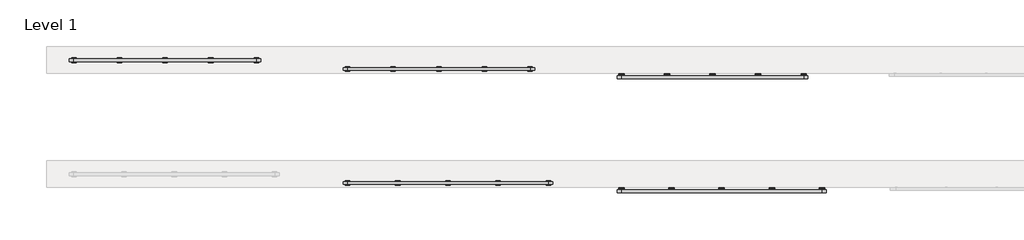
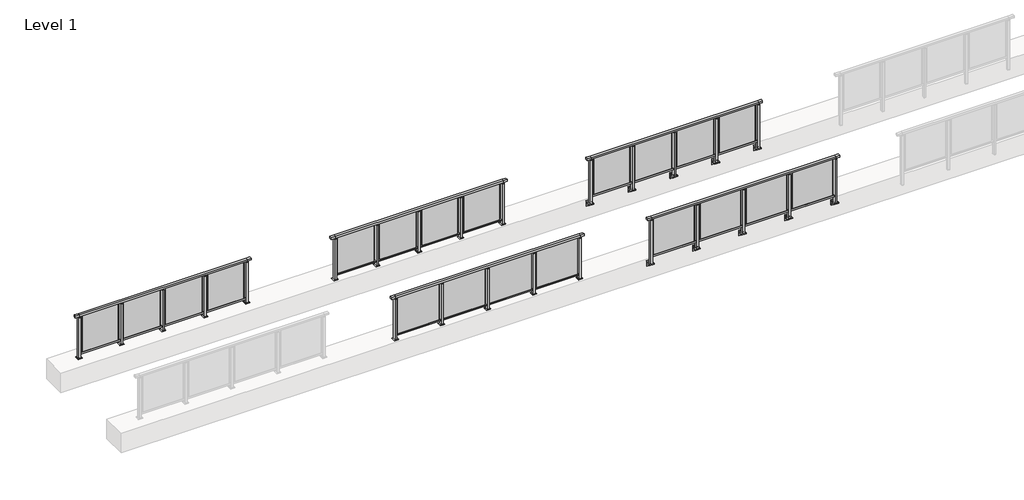
# One storey, part 26 of 37: 5 railings.
"""IFC4 building model written with IfcOpenShell, lengths in millimetres."""

from ifc_helpers import new_model, si_unit, point, frame, frame_2d, origin, origin_with_axes, place, context, project, spatial, polyline, circle_curve, trimmed, segment, composite_curve, outline, extrude, faceted_brep, element, save

model = new_model("IFC4")

# Units and contexts
model_context = context("Model", 3, world=origin())
ifc_project = project(units=[si_unit("LENGTHUNIT", "METRE", prefix="MILLI")], contexts=[model_context])

# Site, building, storey
site = spatial("IfcSite", under=ifc_project)
building = spatial("IfcBuilding", under=site)
storey = spatial("IfcBuildingStorey", under=building, Name="Level 1", Elevation=0.0)

# Railings
placement = place(None, origin())
element("IfcRailing", 1, at=placement, inside=storey, context=model_context, shape_type="SolidModel", body=[
    faceted_brep([(41910.0, 44847.6846828, 1100.0), (41910.0, 44847.6846828, 1055.0), (41910.0, 44787.6846828, 1055.0), (41910.0, 44787.6846828, 1100.0), (42000.0, 44847.6846828, 1100.0), (42000.0, 44847.6846828, 1055.0), (42000.0, 44787.6846828, 1055.0), (42000.0, 44787.6846828, 1100.0), (46400.0, 44847.6846828, 1100.0), (46400.0, 44847.6846828, 1055.0), (46400.0, 44787.6846828, 1055.0), (46400.0, 44787.6846828, 1100.0), (46490.0, 44847.6846828, 1100.0), (46490.0, 44787.6846828, 1100.0), (46490.0, 44787.6846828, 1055.0), (46490.0, 44847.6846828, 1055.0)], [[[0, 1, 2, 3]], [[1, 0, 4, 5]], [[2, 1, 5, 6]], [[3, 2, 6, 7]], [[0, 3, 7, 4]], [[5, 4, 8, 9]], [[6, 5, 9, 10]], [[7, 6, 10, 11]], [[4, 7, 11, 8]], [[12, 13, 14, 15]], [[9, 8, 12, 15]], [[10, 9, 15, 14]], [[11, 10, 14, 13]], [[8, 11, 13, 12]]]),
    extrude(outline(polyline([(42000.0, 44800.1846828), (42000.0, 44835.1846828), (46400.0, 44835.1846828), (46400.0, 44800.1846828), (42000.0, 44800.1846828)])), frame((0.0, 0.0, 95.0), z_axis=(0.0, 0.0, 1.0), x_axis=(1.0, 0.0, 0.0)), (0.0, 0.0, 1.0), 30.0),
    extrude(outline(polyline([(45372.5, 44815.9094929), (45372.5, 44821.9094929), (46327.5, 44821.9094929), (46327.5, 44815.9094929), (45372.5, 44815.9094929)])), frame((0.0, 0.0, 125.0), z_axis=(0.0, 0.0, 1.0), x_axis=(1.0, 0.0, 0.0)), (0.0, 0.0, 1.0), 930.0),
    extrude(outline(composite_curve([segment(polyline([(44850.1846828, -70.0), (44884.1846828, -63.0), (44884.1846828, -32.5), (44900.1846828, -32.5), (44900.1846828, -167.5), (44884.1846828, -167.5), (44884.1846828, -113.5)]), True, "CONTINUOUS"), segment(trimmed(circle_curve(frame_2d((44864.1846828, -113.5)), 20.0), [point((44884.1846828, -113.5))], [point((44864.1846828, -93.5))], True, "CARTESIAN"), True, "CONTINUOUS"), segment(polyline([(44864.1846828, -93.5), (44780.1846828, -93.5), (44780.1846828, -70.0), (44850.1846828, -70.0)]), True, "CONTINUOUS")], self_intersect=False)), frame((45240.0, 0.0, 0.0), z_axis=(1.0, 0.0, 0.0), x_axis=(0.0, 1.0, 0.0)), (0.0, 0.0, 1.0), 120.0),
    extrude(outline(polyline([(45322.5, 44850.1846828), (45322.5, 44785.1846828), (45277.5, 44785.1846828), (45277.5, 44850.1846828), (45322.5, 44850.1846828)])), frame((0.0, 0.0, -70.0), z_axis=(0.0, 0.0, 1.0), x_axis=(1.0, 0.0, 0.0)), (0.0, 0.0, 1.0), 1097.0),
    extrude(outline(polyline([(45310.0, 44827.6846828), (45310.0, 44807.6846828), (45290.0, 44807.6846828), (45290.0, 44827.6846828), (45310.0, 44827.6846828)])), frame((0.0, 0.0, 1035.0), z_axis=(0.0, 0.0, 1.0), x_axis=(1.0, 0.0, 0.0)), (0.0, 0.0, 1.0), 20.0),
    extrude(outline(polyline([(45322.5, 44850.1846828), (45322.5, 44785.1846828), (45277.5, 44785.1846828), (45277.5, 44850.1846828), (45322.5, 44850.1846828)])), frame((0.0, 0.0, 1027.0), z_axis=(0.0, 0.0, 1.0), x_axis=(1.0, 0.0, 0.0)), (0.0, 0.0, 1.0), 8.0),
    extrude(outline(polyline([(44272.5, 44815.9094929), (44272.5, 44821.9094929), (45227.5, 44821.9094929), (45227.5, 44815.9094929), (44272.5, 44815.9094929)])), frame((0.0, 0.0, 125.0), z_axis=(0.0, 0.0, 1.0), x_axis=(1.0, 0.0, 0.0)), (0.0, 0.0, 1.0), 930.0),
    extrude(outline(composite_curve([segment(polyline([(44850.1846828, -70.0), (44884.1846828, -63.0), (44884.1846828, -32.5), (44900.1846828, -32.5), (44900.1846828, -167.5), (44884.1846828, -167.5), (44884.1846828, -113.5)]), True, "CONTINUOUS"), segment(trimmed(circle_curve(frame_2d((44864.1846828, -113.5)), 20.0), [point((44884.1846828, -113.5))], [point((44864.1846828, -93.5))], True, "CARTESIAN"), True, "CONTINUOUS"), segment(polyline([(44864.1846828, -93.5), (44780.1846828, -93.5), (44780.1846828, -70.0), (44850.1846828, -70.0)]), True, "CONTINUOUS")], self_intersect=False)), frame((44140.0, 0.0, 0.0), z_axis=(1.0, 0.0, 0.0), x_axis=(0.0, 1.0, 0.0)), (0.0, 0.0, 1.0), 120.0),
    extrude(outline(polyline([(44222.5, 44850.1846828), (44222.5, 44785.1846828), (44177.5, 44785.1846828), (44177.5, 44850.1846828), (44222.5, 44850.1846828)])), frame((0.0, 0.0, -70.0), z_axis=(0.0, 0.0, 1.0), x_axis=(1.0, 0.0, 0.0)), (0.0, 0.0, 1.0), 1097.0),
    extrude(outline(polyline([(44210.0, 44827.6846828), (44210.0, 44807.6846828), (44190.0, 44807.6846828), (44190.0, 44827.6846828), (44210.0, 44827.6846828)])), frame((0.0, 0.0, 1035.0), z_axis=(0.0, 0.0, 1.0), x_axis=(1.0, 0.0, 0.0)), (0.0, 0.0, 1.0), 20.0),
    extrude(outline(polyline([(44222.5, 44850.1846828), (44222.5, 44785.1846828), (44177.5, 44785.1846828), (44177.5, 44850.1846828), (44222.5, 44850.1846828)])), frame((0.0, 0.0, 1027.0), z_axis=(0.0, 0.0, 1.0), x_axis=(1.0, 0.0, 0.0)), (0.0, 0.0, 1.0), 8.0),
    extrude(outline(polyline([(43172.5, 44815.9094929), (43172.5, 44821.9094929), (44127.5, 44821.9094929), (44127.5, 44815.9094929), (43172.5, 44815.9094929)])), frame((0.0, 0.0, 125.0), z_axis=(0.0, 0.0, 1.0), x_axis=(1.0, 0.0, 0.0)), (0.0, 0.0, 1.0), 930.0),
    extrude(outline(composite_curve([segment(polyline([(44850.1846828, -70.0), (44884.1846828, -63.0), (44884.1846828, -32.5), (44900.1846828, -32.5), (44900.1846828, -167.5), (44884.1846828, -167.5), (44884.1846828, -113.5)]), True, "CONTINUOUS"), segment(trimmed(circle_curve(frame_2d((44864.1846828, -113.5)), 20.0), [point((44884.1846828, -113.5))], [point((44864.1846828, -93.5))], True, "CARTESIAN"), True, "CONTINUOUS"), segment(polyline([(44864.1846828, -93.5), (44780.1846828, -93.5), (44780.1846828, -70.0), (44850.1846828, -70.0)]), True, "CONTINUOUS")], self_intersect=False)), frame((43040.0, 0.0, 0.0), z_axis=(1.0, 0.0, 0.0), x_axis=(0.0, 1.0, 0.0)), (0.0, 0.0, 1.0), 120.0),
    extrude(outline(polyline([(43122.5, 44850.1846828), (43122.5, 44785.1846828), (43077.5, 44785.1846828), (43077.5, 44850.1846828), (43122.5, 44850.1846828)])), frame((0.0, 0.0, -70.0), z_axis=(0.0, 0.0, 1.0), x_axis=(1.0, 0.0, 0.0)), (0.0, 0.0, 1.0), 1097.0),
    extrude(outline(polyline([(43110.0, 44827.6846828), (43110.0, 44807.6846828), (43090.0, 44807.6846828), (43090.0, 44827.6846828), (43110.0, 44827.6846828)])), frame((0.0, 0.0, 1035.0), z_axis=(0.0, 0.0, 1.0), x_axis=(1.0, 0.0, 0.0)), (0.0, 0.0, 1.0), 20.0),
    extrude(outline(polyline([(43122.5, 44850.1846828), (43122.5, 44785.1846828), (43077.5, 44785.1846828), (43077.5, 44850.1846828), (43122.5, 44850.1846828)])), frame((0.0, 0.0, 1027.0), z_axis=(0.0, 0.0, 1.0), x_axis=(1.0, 0.0, 0.0)), (0.0, 0.0, 1.0), 8.0),
    extrude(outline(polyline([(42072.5, 44815.9094929), (42072.5, 44821.9094929), (43027.5, 44821.9094929), (43027.5, 44815.9094929), (42072.5, 44815.9094929)])), frame((0.0, 0.0, 125.0), z_axis=(0.0, 0.0, 1.0), x_axis=(1.0, 0.0, 0.0)), (0.0, 0.0, 1.0), 930.0),
    extrude(outline(composite_curve([segment(polyline([(44850.1846828, -70.0), (44884.1846828, -63.0), (44884.1846828, -32.5), (44900.1846828, -32.5), (44900.1846828, -167.5), (44884.1846828, -167.5), (44884.1846828, -113.5)]), True, "CONTINUOUS"), segment(trimmed(circle_curve(frame_2d((44864.1846828, -113.5)), 20.0), [point((44884.1846828, -113.5))], [point((44864.1846828, -93.5))], True, "CARTESIAN"), True, "CONTINUOUS"), segment(polyline([(44864.1846828, -93.5), (44780.1846828, -93.5), (44780.1846828, -70.0), (44850.1846828, -70.0)]), True, "CONTINUOUS")], self_intersect=False)), frame((46340.0, 0.0, 0.0), z_axis=(1.0, 0.0, 0.0), x_axis=(0.0, 1.0, 0.0)), (0.0, 0.0, 1.0), 120.0),
    extrude(outline(polyline([(46422.5, 44850.1846828), (46422.5, 44785.1846828), (46377.5, 44785.1846828), (46377.5, 44850.1846828), (46422.5, 44850.1846828)])), frame((0.0, 0.0, -70.0), z_axis=(0.0, 0.0, 1.0), x_axis=(1.0, 0.0, 0.0)), (0.0, 0.0, 1.0), 1097.0),
    extrude(outline(polyline([(46410.0, 44827.6846828), (46410.0, 44807.6846828), (46390.0, 44807.6846828), (46390.0, 44827.6846828), (46410.0, 44827.6846828)])), frame((0.0, 0.0, 1035.0), z_axis=(0.0, 0.0, 1.0), x_axis=(1.0, 0.0, 0.0)), (0.0, 0.0, 1.0), 20.0),
    extrude(outline(polyline([(46422.5, 44850.1846828), (46422.5, 44785.1846828), (46377.5, 44785.1846828), (46377.5, 44850.1846828), (46422.5, 44850.1846828)])), frame((0.0, 0.0, 1027.0), z_axis=(0.0, 0.0, 1.0), x_axis=(1.0, 0.0, 0.0)), (0.0, 0.0, 1.0), 8.0),
    extrude(outline(composite_curve([segment(polyline([(44850.1846828, -70.0), (44884.1846828, -63.0), (44884.1846828, -32.5), (44900.1846828, -32.5), (44900.1846828, -167.5), (44884.1846828, -167.5), (44884.1846828, -113.5)]), True, "CONTINUOUS"), segment(trimmed(circle_curve(frame_2d((44864.1846828, -113.5)), 20.0), [point((44884.1846828, -113.5))], [point((44864.1846828, -93.5))], True, "CARTESIAN"), True, "CONTINUOUS"), segment(polyline([(44864.1846828, -93.5), (44780.1846828, -93.5), (44780.1846828, -70.0), (44850.1846828, -70.0)]), True, "CONTINUOUS")], self_intersect=False)), frame((41940.0, 0.0, 0.0), z_axis=(1.0, 0.0, 0.0), x_axis=(0.0, 1.0, 0.0)), (0.0, 0.0, 1.0), 120.0),
    extrude(outline(polyline([(42022.5, 44850.1846828), (42022.5, 44785.1846828), (41977.5, 44785.1846828), (41977.5, 44850.1846828), (42022.5, 44850.1846828)])), frame((0.0, 0.0, -70.0), z_axis=(0.0, 0.0, 1.0), x_axis=(1.0, 0.0, 0.0)), (0.0, 0.0, 1.0), 1097.0),
    extrude(outline(polyline([(42010.0, 44827.6846828), (42010.0, 44807.6846828), (41990.0, 44807.6846828), (41990.0, 44827.6846828), (42010.0, 44827.6846828)])), frame((0.0, 0.0, 1035.0), z_axis=(0.0, 0.0, 1.0), x_axis=(1.0, 0.0, 0.0)), (0.0, 0.0, 1.0), 20.0),
    extrude(outline(polyline([(42022.5, 44850.1846828), (42022.5, 44785.1846828), (41977.5, 44785.1846828), (41977.5, 44850.1846828), (42022.5, 44850.1846828)])), frame((0.0, 0.0, 1027.0), z_axis=(0.0, 0.0, 1.0), x_axis=(1.0, 0.0, 0.0)), (0.0, 0.0, 1.0), 8.0),
])
element("IfcRailing", 2, at=placement, inside=storey, context=model_context, shape_type="SolidModel", body=[
    faceted_brep([(36000.0, 45030.1846828, 1055.0), (36000.0, 45030.1846828, 1100.0), (40400.0, 45030.1846828, 1100.0), (40400.0, 45030.1846828, 1055.0), (36000.0, 44970.1846828, 1055.0), (40400.0, 44970.1846828, 1055.0), (36000.0, 44970.1846828, 1100.0), (40400.0, 44970.1846828, 1100.0), (35900.0, 45030.1846828, 1100.0), (35900.0, 45030.1846828, 1055.0), (35900.0, 44970.1846828, 1055.0), (35900.0, 44970.1846828, 1100.0), (40500.0, 45030.1846828, 1100.0), (40500.0, 44970.1846828, 1100.0), (40500.0, 44970.1846828, 1055.0), (40500.0, 45030.1846828, 1055.0)], [[[0, 1, 2, 3]], [[4, 0, 3, 5]], [[6, 4, 5, 7]], [[1, 6, 7, 2]], [[8, 9, 10, 11]], [[9, 8, 1, 0]], [[10, 9, 0, 4]], [[11, 10, 4, 6]], [[8, 11, 6, 1]], [[12, 13, 14, 15]], [[3, 2, 12, 15]], [[5, 3, 15, 14]], [[7, 5, 14, 13]], [[2, 7, 13, 12]]]),
    extrude(outline(polyline([(36000.0, 44982.6846828), (36000.0, 45017.6846828), (40400.0, 45017.6846828), (40400.0, 44982.6846828), (36000.0, 44982.6846828)])), frame((0.0, 0.0, 95.0), z_axis=(0.0, 0.0, 1.0), x_axis=(1.0, 0.0, 0.0)), (0.0, 0.0, 1.0), 30.0),
    extrude(outline(polyline([(39360.0, 45005.9598727), (40340.0, 45005.9598727), (40340.0, 44995.9598727), (39360.0, 44995.9598727), (39360.0, 45005.9598727)])), frame((0.0, 0.0, 125.0), z_axis=(0.0, 0.0, 1.0), x_axis=(1.0, 0.0, 0.0)), (0.0, 0.0, 1.0), 930.0),
    extrude(outline(polyline([(39310.0, 44990.1846828), (39290.0, 44990.1846828), (39290.0, 45010.1846828), (39310.0, 45010.1846828), (39310.0, 44990.1846828)])), frame((0.0, 0.0, 1035.0), z_axis=(0.0, 0.0, 1.0), x_axis=(1.0, 0.0, 0.0)), (0.0, 0.0, 1.0), 20.0),
    extrude(outline(polyline([(39322.5, 44967.6846828), (39277.5, 44967.6846828), (39277.5, 45032.6846828), (39322.5, 45032.6846828), (39322.5, 44967.6846828)])), frame((0.0, 0.0, 1027.0), z_axis=(0.0, 0.0, 1.0), x_axis=(1.0, 0.0, 0.0)), (0.0, 0.0, 1.0), 8.0),
    extrude(outline(polyline([(39350.0, 44950.1846828), (39250.0, 44950.1846828), (39250.0, 45050.1846828), (39350.0, 45050.1846828), (39350.0, 44950.1846828)])), origin_with_axes(), (0.0, 0.0, 1.0), 12.0),
    extrude(outline(polyline([(39322.5, 44967.6846828), (39277.5, 44967.6846828), (39277.5, 45032.6846828), (39322.5, 45032.6846828), (39322.5, 44967.6846828)])), frame((0.0, 0.0, 12.0), z_axis=(0.0, 0.0, 1.0), x_axis=(1.0, 0.0, 0.0)), (0.0, 0.0, 1.0), 1015.0),
    extrude(outline(polyline([(38260.0, 45005.9598727), (39240.0, 45005.9598727), (39240.0, 44995.9598727), (38260.0, 44995.9598727), (38260.0, 45005.9598727)])), frame((0.0, 0.0, 125.0), z_axis=(0.0, 0.0, 1.0), x_axis=(1.0, 0.0, 0.0)), (0.0, 0.0, 1.0), 930.0),
    extrude(outline(polyline([(38210.0, 44990.1846828), (38190.0, 44990.1846828), (38190.0, 45010.1846828), (38210.0, 45010.1846828), (38210.0, 44990.1846828)])), frame((0.0, 0.0, 1035.0), z_axis=(0.0, 0.0, 1.0), x_axis=(1.0, 0.0, 0.0)), (0.0, 0.0, 1.0), 20.0),
    extrude(outline(polyline([(38222.5, 44967.6846828), (38177.5, 44967.6846828), (38177.5, 45032.6846828), (38222.5, 45032.6846828), (38222.5, 44967.6846828)])), frame((0.0, 0.0, 1027.0), z_axis=(0.0, 0.0, 1.0), x_axis=(1.0, 0.0, 0.0)), (0.0, 0.0, 1.0), 8.0),
    extrude(outline(polyline([(38250.0, 44950.1846828), (38150.0, 44950.1846828), (38150.0, 45050.1846828), (38250.0, 45050.1846828), (38250.0, 44950.1846828)])), origin_with_axes(), (0.0, 0.0, 1.0), 12.0),
    extrude(outline(polyline([(38222.5, 44967.6846828), (38177.5, 44967.6846828), (38177.5, 45032.6846828), (38222.5, 45032.6846828), (38222.5, 44967.6846828)])), frame((0.0, 0.0, 12.0), z_axis=(0.0, 0.0, 1.0), x_axis=(1.0, 0.0, 0.0)), (0.0, 0.0, 1.0), 1015.0),
    extrude(outline(polyline([(37160.0, 45005.9598727), (38140.0, 45005.9598727), (38140.0, 44995.9598727), (37160.0, 44995.9598727), (37160.0, 45005.9598727)])), frame((0.0, 0.0, 125.0), z_axis=(0.0, 0.0, 1.0), x_axis=(1.0, 0.0, 0.0)), (0.0, 0.0, 1.0), 930.0),
    extrude(outline(polyline([(37110.0, 44990.1846828), (37090.0, 44990.1846828), (37090.0, 45010.1846828), (37110.0, 45010.1846828), (37110.0, 44990.1846828)])), frame((0.0, 0.0, 1035.0), z_axis=(0.0, 0.0, 1.0), x_axis=(1.0, 0.0, 0.0)), (0.0, 0.0, 1.0), 20.0),
    extrude(outline(polyline([(37122.5, 44967.6846828), (37077.5, 44967.6846828), (37077.5, 45032.6846828), (37122.5, 45032.6846828), (37122.5, 44967.6846828)])), frame((0.0, 0.0, 1027.0), z_axis=(0.0, 0.0, 1.0), x_axis=(1.0, 0.0, 0.0)), (0.0, 0.0, 1.0), 8.0),
    extrude(outline(polyline([(37150.0, 44950.1846828), (37050.0, 44950.1846828), (37050.0, 45050.1846828), (37150.0, 45050.1846828), (37150.0, 44950.1846828)])), origin_with_axes(), (0.0, 0.0, 1.0), 12.0),
    extrude(outline(polyline([(37122.5, 44967.6846828), (37077.5, 44967.6846828), (37077.5, 45032.6846828), (37122.5, 45032.6846828), (37122.5, 44967.6846828)])), frame((0.0, 0.0, 12.0), z_axis=(0.0, 0.0, 1.0), x_axis=(1.0, 0.0, 0.0)), (0.0, 0.0, 1.0), 1015.0),
    extrude(outline(polyline([(36060.0, 45005.9598727), (37040.0, 45005.9598727), (37040.0, 44995.9598727), (36060.0, 44995.9598727), (36060.0, 45005.9598727)])), frame((0.0, 0.0, 125.0), z_axis=(0.0, 0.0, 1.0), x_axis=(1.0, 0.0, 0.0)), (0.0, 0.0, 1.0), 930.0),
    extrude(outline(polyline([(40410.0, 44990.1846828), (40390.0, 44990.1846828), (40390.0, 45010.1846828), (40410.0, 45010.1846828), (40410.0, 44990.1846828)])), frame((0.0, 0.0, 1035.0), z_axis=(0.0, 0.0, 1.0), x_axis=(1.0, 0.0, 0.0)), (0.0, 0.0, 1.0), 20.0),
    extrude(outline(polyline([(40422.5, 44967.6846828), (40377.5, 44967.6846828), (40377.5, 45032.6846828), (40422.5, 45032.6846828), (40422.5, 44967.6846828)])), frame((0.0, 0.0, 1027.0), z_axis=(0.0, 0.0, 1.0), x_axis=(1.0, 0.0, 0.0)), (0.0, 0.0, 1.0), 8.0),
    extrude(outline(polyline([(40450.0, 44950.1846828), (40350.0, 44950.1846828), (40350.0, 45050.1846828), (40450.0, 45050.1846828), (40450.0, 44950.1846828)])), origin_with_axes(), (0.0, 0.0, 1.0), 12.0),
    extrude(outline(polyline([(40422.5, 44967.6846828), (40377.5, 44967.6846828), (40377.5, 45032.6846828), (40422.5, 45032.6846828), (40422.5, 44967.6846828)])), frame((0.0, 0.0, 12.0), z_axis=(0.0, 0.0, 1.0), x_axis=(1.0, 0.0, 0.0)), (0.0, 0.0, 1.0), 1015.0),
    extrude(outline(polyline([(36010.0, 44990.1846828), (35990.0, 44990.1846828), (35990.0, 45010.1846828), (36010.0, 45010.1846828), (36010.0, 44990.1846828)])), frame((0.0, 0.0, 1035.0), z_axis=(0.0, 0.0, 1.0), x_axis=(1.0, 0.0, 0.0)), (0.0, 0.0, 1.0), 20.0),
    extrude(outline(polyline([(36022.5, 44967.6846828), (35977.5, 44967.6846828), (35977.5, 45032.6846828), (36022.5, 45032.6846828), (36022.5, 44967.6846828)])), frame((0.0, 0.0, 1027.0), z_axis=(0.0, 0.0, 1.0), x_axis=(1.0, 0.0, 0.0)), (0.0, 0.0, 1.0), 8.0),
    extrude(outline(polyline([(36050.0, 44950.1846828), (35950.0, 44950.1846828), (35950.0, 45050.1846828), (36050.0, 45050.1846828), (36050.0, 44950.1846828)])), origin_with_axes(), (0.0, 0.0, 1.0), 12.0),
    extrude(outline(polyline([(36022.5, 44967.6846828), (35977.5, 44967.6846828), (35977.5, 45032.6846828), (36022.5, 45032.6846828), (36022.5, 44967.6846828)])), frame((0.0, 0.0, 12.0), z_axis=(0.0, 0.0, 1.0), x_axis=(1.0, 0.0, 0.0)), (0.0, 0.0, 1.0), 1015.0),
])
element("IfcRailing", 3, at=placement, inside=storey, context=model_context, shape_type="SolidModel", body=[
    faceted_brep([(30000.0, 47720.1846828, 1055.0), (30000.0, 47720.1846828, 1100.0), (34000.0, 47720.1846828, 1100.0), (34000.0, 47720.1846828, 1055.0), (30000.0, 47660.1846828, 1055.0), (34000.0, 47660.1846828, 1055.0), (30000.0, 47660.1846828, 1100.0), (34000.0, 47660.1846828, 1100.0), (29900.0, 47720.1846828, 1100.0), (29900.0, 47720.1846828, 1055.0), (29900.0, 47660.1846828, 1055.0), (29900.0, 47660.1846828, 1100.0), (34100.0, 47720.1846828, 1100.0), (34100.0, 47660.1846828, 1100.0), (34100.0, 47660.1846828, 1055.0), (34100.0, 47720.1846828, 1055.0)], [[[0, 1, 2, 3]], [[4, 0, 3, 5]], [[6, 4, 5, 7]], [[1, 6, 7, 2]], [[8, 9, 10, 11]], [[9, 8, 1, 0]], [[10, 9, 0, 4]], [[11, 10, 4, 6]], [[8, 11, 6, 1]], [[12, 13, 14, 15]], [[3, 2, 12, 15]], [[5, 3, 15, 14]], [[7, 5, 14, 13]], [[2, 7, 13, 12]]]),
    extrude(outline(polyline([(30000.0, 47672.6846828), (30000.0, 47707.6846828), (34000.0, 47707.6846828), (34000.0, 47672.6846828), (30000.0, 47672.6846828)])), frame((0.0, 0.0, 95.0), z_axis=(0.0, 0.0, 1.0), x_axis=(1.0, 0.0, 0.0)), (0.0, 0.0, 1.0), 30.0),
    extrude(outline(polyline([(33072.5, 47691.9598727), (33927.5, 47691.9598727), (33927.5, 47685.9598727), (33072.5, 47685.9598727), (33072.5, 47691.9598727)])), frame((0.0, 0.0, 125.0), z_axis=(0.0, 0.0, 1.0), x_axis=(1.0, 0.0, 0.0)), (0.0, 0.0, 1.0), 930.0),
    extrude(outline(polyline([(33010.0, 47680.1846828), (32990.0, 47680.1846828), (32990.0, 47700.1846828), (33010.0, 47700.1846828), (33010.0, 47680.1846828)])), frame((0.0, 0.0, 1035.0), z_axis=(0.0, 0.0, 1.0), x_axis=(1.0, 0.0, 0.0)), (0.0, 0.0, 1.0), 20.0),
    extrude(outline(polyline([(33022.5, 47657.6846828), (32977.5, 47657.6846828), (32977.5, 47722.6846828), (33022.5, 47722.6846828), (33022.5, 47657.6846828)])), frame((0.0, 0.0, 1027.0), z_axis=(0.0, 0.0, 1.0), x_axis=(1.0, 0.0, 0.0)), (0.0, 0.0, 1.0), 8.0),
    extrude(outline(polyline([(33050.0, 47640.1846828), (32950.0, 47640.1846828), (32950.0, 47740.1846828), (33050.0, 47740.1846828), (33050.0, 47640.1846828)])), origin_with_axes(), (0.0, 0.0, 1.0), 12.0),
    extrude(outline(polyline([(33022.5, 47657.6846828), (32977.5, 47657.6846828), (32977.5, 47722.6846828), (33022.5, 47722.6846828), (33022.5, 47657.6846828)])), frame((0.0, 0.0, 12.0), z_axis=(0.0, 0.0, 1.0), x_axis=(1.0, 0.0, 0.0)), (0.0, 0.0, 1.0), 1015.0),
    extrude(outline(polyline([(32072.5, 47691.9598727), (32927.5, 47691.9598727), (32927.5, 47685.9598727), (32072.5, 47685.9598727), (32072.5, 47691.9598727)])), frame((0.0, 0.0, 125.0), z_axis=(0.0, 0.0, 1.0), x_axis=(1.0, 0.0, 0.0)), (0.0, 0.0, 1.0), 930.0),
    extrude(outline(polyline([(32010.0, 47680.1846828), (31990.0, 47680.1846828), (31990.0, 47700.1846828), (32010.0, 47700.1846828), (32010.0, 47680.1846828)])), frame((0.0, 0.0, 1035.0), z_axis=(0.0, 0.0, 1.0), x_axis=(1.0, 0.0, 0.0)), (0.0, 0.0, 1.0), 20.0),
    extrude(outline(polyline([(32022.5, 47657.6846828), (31977.5, 47657.6846828), (31977.5, 47722.6846828), (32022.5, 47722.6846828), (32022.5, 47657.6846828)])), frame((0.0, 0.0, 1027.0), z_axis=(0.0, 0.0, 1.0), x_axis=(1.0, 0.0, 0.0)), (0.0, 0.0, 1.0), 8.0),
    extrude(outline(polyline([(32050.0, 47640.1846828), (31950.0, 47640.1846828), (31950.0, 47740.1846828), (32050.0, 47740.1846828), (32050.0, 47640.1846828)])), origin_with_axes(), (0.0, 0.0, 1.0), 12.0),
    extrude(outline(polyline([(32022.5, 47657.6846828), (31977.5, 47657.6846828), (31977.5, 47722.6846828), (32022.5, 47722.6846828), (32022.5, 47657.6846828)])), frame((0.0, 0.0, 12.0), z_axis=(0.0, 0.0, 1.0), x_axis=(1.0, 0.0, 0.0)), (0.0, 0.0, 1.0), 1015.0),
    extrude(outline(polyline([(31072.5, 47691.9598727), (31927.5, 47691.9598727), (31927.5, 47685.9598727), (31072.5, 47685.9598727), (31072.5, 47691.9598727)])), frame((0.0, 0.0, 125.0), z_axis=(0.0, 0.0, 1.0), x_axis=(1.0, 0.0, 0.0)), (0.0, 0.0, 1.0), 930.0),
    extrude(outline(polyline([(31010.0, 47680.1846828), (30990.0, 47680.1846828), (30990.0, 47700.1846828), (31010.0, 47700.1846828), (31010.0, 47680.1846828)])), frame((0.0, 0.0, 1035.0), z_axis=(0.0, 0.0, 1.0), x_axis=(1.0, 0.0, 0.0)), (0.0, 0.0, 1.0), 20.0),
    extrude(outline(polyline([(31022.5, 47657.6846828), (30977.5, 47657.6846828), (30977.5, 47722.6846828), (31022.5, 47722.6846828), (31022.5, 47657.6846828)])), frame((0.0, 0.0, 1027.0), z_axis=(0.0, 0.0, 1.0), x_axis=(1.0, 0.0, 0.0)), (0.0, 0.0, 1.0), 8.0),
    extrude(outline(polyline([(31050.0, 47640.1846828), (30950.0, 47640.1846828), (30950.0, 47740.1846828), (31050.0, 47740.1846828), (31050.0, 47640.1846828)])), origin_with_axes(), (0.0, 0.0, 1.0), 12.0),
    extrude(outline(polyline([(31022.5, 47657.6846828), (30977.5, 47657.6846828), (30977.5, 47722.6846828), (31022.5, 47722.6846828), (31022.5, 47657.6846828)])), frame((0.0, 0.0, 12.0), z_axis=(0.0, 0.0, 1.0), x_axis=(1.0, 0.0, 0.0)), (0.0, 0.0, 1.0), 1015.0),
    extrude(outline(polyline([(30072.5, 47691.9598727), (30927.5, 47691.9598727), (30927.5, 47685.9598727), (30072.5, 47685.9598727), (30072.5, 47691.9598727)])), frame((0.0, 0.0, 125.0), z_axis=(0.0, 0.0, 1.0), x_axis=(1.0, 0.0, 0.0)), (0.0, 0.0, 1.0), 930.0),
    extrude(outline(polyline([(34010.0, 47680.1846828), (33990.0, 47680.1846828), (33990.0, 47700.1846828), (34010.0, 47700.1846828), (34010.0, 47680.1846828)])), frame((0.0, 0.0, 1035.0), z_axis=(0.0, 0.0, 1.0), x_axis=(1.0, 0.0, 0.0)), (0.0, 0.0, 1.0), 20.0),
    extrude(outline(polyline([(34022.5, 47657.6846828), (33977.5, 47657.6846828), (33977.5, 47722.6846828), (34022.5, 47722.6846828), (34022.5, 47657.6846828)])), frame((0.0, 0.0, 1027.0), z_axis=(0.0, 0.0, 1.0), x_axis=(1.0, 0.0, 0.0)), (0.0, 0.0, 1.0), 8.0),
    extrude(outline(polyline([(34050.0, 47640.1846828), (33950.0, 47640.1846828), (33950.0, 47740.1846828), (34050.0, 47740.1846828), (34050.0, 47640.1846828)])), origin_with_axes(), (0.0, 0.0, 1.0), 12.0),
    extrude(outline(polyline([(34022.5, 47657.6846828), (33977.5, 47657.6846828), (33977.5, 47722.6846828), (34022.5, 47722.6846828), (34022.5, 47657.6846828)])), frame((0.0, 0.0, 12.0), z_axis=(0.0, 0.0, 1.0), x_axis=(1.0, 0.0, 0.0)), (0.0, 0.0, 1.0), 1015.0),
    extrude(outline(polyline([(30010.0, 47680.1846828), (29990.0, 47680.1846828), (29990.0, 47700.1846828), (30010.0, 47700.1846828), (30010.0, 47680.1846828)])), frame((0.0, 0.0, 1035.0), z_axis=(0.0, 0.0, 1.0), x_axis=(1.0, 0.0, 0.0)), (0.0, 0.0, 1.0), 20.0),
    extrude(outline(polyline([(30022.5, 47657.6846828), (29977.5, 47657.6846828), (29977.5, 47722.6846828), (30022.5, 47722.6846828), (30022.5, 47657.6846828)])), frame((0.0, 0.0, 1027.0), z_axis=(0.0, 0.0, 1.0), x_axis=(1.0, 0.0, 0.0)), (0.0, 0.0, 1.0), 8.0),
    extrude(outline(polyline([(30050.0, 47640.1846828), (29950.0, 47640.1846828), (29950.0, 47740.1846828), (30050.0, 47740.1846828), (30050.0, 47640.1846828)])), origin_with_axes(), (0.0, 0.0, 1.0), 12.0),
    extrude(outline(polyline([(30022.5, 47657.6846828), (29977.5, 47657.6846828), (29977.5, 47722.6846828), (30022.5, 47722.6846828), (30022.5, 47657.6846828)])), frame((0.0, 0.0, 12.0), z_axis=(0.0, 0.0, 1.0), x_axis=(1.0, 0.0, 0.0)), (0.0, 0.0, 1.0), 1015.0),
])
element("IfcRailing", 4, at=placement, inside=storey, context=model_context, shape_type="SolidModel", body=[
    faceted_brep([(41910.0, 47347.6846828, 1100.0), (41910.0, 47347.6846828, 1055.0), (41910.0, 47287.6846828, 1055.0), (41910.0, 47287.6846828, 1100.0), (42000.0, 47347.6846828, 1100.0), (42000.0, 47347.6846828, 1055.0), (42000.0, 47287.6846828, 1055.0), (42000.0, 47287.6846828, 1100.0), (46000.0, 47347.6846828, 1100.0), (46000.0, 47347.6846828, 1055.0), (46000.0, 47287.6846828, 1055.0), (46000.0, 47287.6846828, 1100.0), (46090.0, 47347.6846828, 1100.0), (46090.0, 47287.6846828, 1100.0), (46090.0, 47287.6846828, 1055.0), (46090.0, 47347.6846828, 1055.0)], [[[0, 1, 2, 3]], [[1, 0, 4, 5]], [[2, 1, 5, 6]], [[3, 2, 6, 7]], [[0, 3, 7, 4]], [[5, 4, 8, 9]], [[6, 5, 9, 10]], [[7, 6, 10, 11]], [[4, 7, 11, 8]], [[12, 13, 14, 15]], [[9, 8, 12, 15]], [[10, 9, 15, 14]], [[11, 10, 14, 13]], [[8, 11, 13, 12]]]),
    extrude(outline(polyline([(42000.0, 47300.1846828), (42000.0, 47335.1846828), (46000.0, 47335.1846828), (46000.0, 47300.1846828), (42000.0, 47300.1846828)])), frame((0.0, 0.0, 95.0), z_axis=(0.0, 0.0, 1.0), x_axis=(1.0, 0.0, 0.0)), (0.0, 0.0, 1.0), 30.0),
    extrude(outline(polyline([(45072.5, 47315.9094929), (45072.5, 47321.9094929), (45927.5, 47321.9094929), (45927.5, 47315.9094929), (45072.5, 47315.9094929)])), frame((0.0, 0.0, 125.0), z_axis=(0.0, 0.0, 1.0), x_axis=(1.0, 0.0, 0.0)), (0.0, 0.0, 1.0), 930.0),
    extrude(outline(composite_curve([segment(polyline([(47350.1846828, -70.0), (47384.1846828, -63.0), (47384.1846828, -32.5), (47400.1846828, -32.5), (47400.1846828, -167.5), (47384.1846828, -167.5), (47384.1846828, -113.5)]), True, "CONTINUOUS"), segment(trimmed(circle_curve(frame_2d((47364.1846828, -113.5)), 20.0), [point((47384.1846828, -113.5))], [point((47364.1846828, -93.5))], True, "CARTESIAN"), True, "CONTINUOUS"), segment(polyline([(47364.1846828, -93.5), (47280.1846828, -93.5), (47280.1846828, -70.0), (47350.1846828, -70.0)]), True, "CONTINUOUS")], self_intersect=False)), frame((44940.0, 0.0, 0.0), z_axis=(1.0, 0.0, 0.0), x_axis=(0.0, 1.0, 0.0)), (0.0, 0.0, 1.0), 120.0),
    extrude(outline(polyline([(45022.5, 47350.1846828), (45022.5, 47285.1846828), (44977.5, 47285.1846828), (44977.5, 47350.1846828), (45022.5, 47350.1846828)])), frame((0.0, 0.0, -70.0), z_axis=(0.0, 0.0, 1.0), x_axis=(1.0, 0.0, 0.0)), (0.0, 0.0, 1.0), 1097.0),
    extrude(outline(polyline([(45010.0, 47327.6846828), (45010.0, 47307.6846828), (44990.0, 47307.6846828), (44990.0, 47327.6846828), (45010.0, 47327.6846828)])), frame((0.0, 0.0, 1035.0), z_axis=(0.0, 0.0, 1.0), x_axis=(1.0, 0.0, 0.0)), (0.0, 0.0, 1.0), 20.0),
    extrude(outline(polyline([(45022.5, 47350.1846828), (45022.5, 47285.1846828), (44977.5, 47285.1846828), (44977.5, 47350.1846828), (45022.5, 47350.1846828)])), frame((0.0, 0.0, 1027.0), z_axis=(0.0, 0.0, 1.0), x_axis=(1.0, 0.0, 0.0)), (0.0, 0.0, 1.0), 8.0),
    extrude(outline(polyline([(44072.5, 47315.9094929), (44072.5, 47321.9094929), (44927.5, 47321.9094929), (44927.5, 47315.9094929), (44072.5, 47315.9094929)])), frame((0.0, 0.0, 125.0), z_axis=(0.0, 0.0, 1.0), x_axis=(1.0, 0.0, 0.0)), (0.0, 0.0, 1.0), 930.0),
    extrude(outline(composite_curve([segment(polyline([(47350.1846828, -70.0), (47384.1846828, -63.0), (47384.1846828, -32.5), (47400.1846828, -32.5), (47400.1846828, -167.5), (47384.1846828, -167.5), (47384.1846828, -113.5)]), True, "CONTINUOUS"), segment(trimmed(circle_curve(frame_2d((47364.1846828, -113.5)), 20.0), [point((47384.1846828, -113.5))], [point((47364.1846828, -93.5))], True, "CARTESIAN"), True, "CONTINUOUS"), segment(polyline([(47364.1846828, -93.5), (47280.1846828, -93.5), (47280.1846828, -70.0), (47350.1846828, -70.0)]), True, "CONTINUOUS")], self_intersect=False)), frame((43940.0, 0.0, 0.0), z_axis=(1.0, 0.0, 0.0), x_axis=(0.0, 1.0, 0.0)), (0.0, 0.0, 1.0), 120.0),
    extrude(outline(polyline([(44022.5, 47350.1846828), (44022.5, 47285.1846828), (43977.5, 47285.1846828), (43977.5, 47350.1846828), (44022.5, 47350.1846828)])), frame((0.0, 0.0, -70.0), z_axis=(0.0, 0.0, 1.0), x_axis=(1.0, 0.0, 0.0)), (0.0, 0.0, 1.0), 1097.0),
    extrude(outline(polyline([(44010.0, 47327.6846828), (44010.0, 47307.6846828), (43990.0, 47307.6846828), (43990.0, 47327.6846828), (44010.0, 47327.6846828)])), frame((0.0, 0.0, 1035.0), z_axis=(0.0, 0.0, 1.0), x_axis=(1.0, 0.0, 0.0)), (0.0, 0.0, 1.0), 20.0),
    extrude(outline(polyline([(44022.5, 47350.1846828), (44022.5, 47285.1846828), (43977.5, 47285.1846828), (43977.5, 47350.1846828), (44022.5, 47350.1846828)])), frame((0.0, 0.0, 1027.0), z_axis=(0.0, 0.0, 1.0), x_axis=(1.0, 0.0, 0.0)), (0.0, 0.0, 1.0), 8.0),
    extrude(outline(polyline([(43072.5, 47315.9094929), (43072.5, 47321.9094929), (43927.5, 47321.9094929), (43927.5, 47315.9094929), (43072.5, 47315.9094929)])), frame((0.0, 0.0, 125.0), z_axis=(0.0, 0.0, 1.0), x_axis=(1.0, 0.0, 0.0)), (0.0, 0.0, 1.0), 930.0),
    extrude(outline(composite_curve([segment(polyline([(47350.1846828, -70.0), (47384.1846828, -63.0), (47384.1846828, -32.5), (47400.1846828, -32.5), (47400.1846828, -167.5), (47384.1846828, -167.5), (47384.1846828, -113.5)]), True, "CONTINUOUS"), segment(trimmed(circle_curve(frame_2d((47364.1846828, -113.5)), 20.0), [point((47384.1846828, -113.5))], [point((47364.1846828, -93.5))], True, "CARTESIAN"), True, "CONTINUOUS"), segment(polyline([(47364.1846828, -93.5), (47280.1846828, -93.5), (47280.1846828, -70.0), (47350.1846828, -70.0)]), True, "CONTINUOUS")], self_intersect=False)), frame((42940.0, 0.0, 0.0), z_axis=(1.0, 0.0, 0.0), x_axis=(0.0, 1.0, 0.0)), (0.0, 0.0, 1.0), 120.0),
    extrude(outline(polyline([(43022.5, 47350.1846828), (43022.5, 47285.1846828), (42977.5, 47285.1846828), (42977.5, 47350.1846828), (43022.5, 47350.1846828)])), frame((0.0, 0.0, -70.0), z_axis=(0.0, 0.0, 1.0), x_axis=(1.0, 0.0, 0.0)), (0.0, 0.0, 1.0), 1097.0),
    extrude(outline(polyline([(43010.0, 47327.6846828), (43010.0, 47307.6846828), (42990.0, 47307.6846828), (42990.0, 47327.6846828), (43010.0, 47327.6846828)])), frame((0.0, 0.0, 1035.0), z_axis=(0.0, 0.0, 1.0), x_axis=(1.0, 0.0, 0.0)), (0.0, 0.0, 1.0), 20.0),
    extrude(outline(polyline([(43022.5, 47350.1846828), (43022.5, 47285.1846828), (42977.5, 47285.1846828), (42977.5, 47350.1846828), (43022.5, 47350.1846828)])), frame((0.0, 0.0, 1027.0), z_axis=(0.0, 0.0, 1.0), x_axis=(1.0, 0.0, 0.0)), (0.0, 0.0, 1.0), 8.0),
    extrude(outline(polyline([(42072.5, 47315.9094929), (42072.5, 47321.9094929), (42927.5, 47321.9094929), (42927.5, 47315.9094929), (42072.5, 47315.9094929)])), frame((0.0, 0.0, 125.0), z_axis=(0.0, 0.0, 1.0), x_axis=(1.0, 0.0, 0.0)), (0.0, 0.0, 1.0), 930.0),
    extrude(outline(composite_curve([segment(polyline([(47350.1846828, -70.0), (47384.1846828, -63.0), (47384.1846828, -32.5), (47400.1846828, -32.5), (47400.1846828, -167.5), (47384.1846828, -167.5), (47384.1846828, -113.5)]), True, "CONTINUOUS"), segment(trimmed(circle_curve(frame_2d((47364.1846828, -113.5)), 20.0), [point((47384.1846828, -113.5))], [point((47364.1846828, -93.5))], True, "CARTESIAN"), True, "CONTINUOUS"), segment(polyline([(47364.1846828, -93.5), (47280.1846828, -93.5), (47280.1846828, -70.0), (47350.1846828, -70.0)]), True, "CONTINUOUS")], self_intersect=False)), frame((45940.0, 0.0, 0.0), z_axis=(1.0, 0.0, 0.0), x_axis=(0.0, 1.0, 0.0)), (0.0, 0.0, 1.0), 120.0),
    extrude(outline(polyline([(46022.5, 47350.1846828), (46022.5, 47285.1846828), (45977.5, 47285.1846828), (45977.5, 47350.1846828), (46022.5, 47350.1846828)])), frame((0.0, 0.0, -70.0), z_axis=(0.0, 0.0, 1.0), x_axis=(1.0, 0.0, 0.0)), (0.0, 0.0, 1.0), 1097.0),
    extrude(outline(polyline([(46010.0, 47327.6846828), (46010.0, 47307.6846828), (45990.0, 47307.6846828), (45990.0, 47327.6846828), (46010.0, 47327.6846828)])), frame((0.0, 0.0, 1035.0), z_axis=(0.0, 0.0, 1.0), x_axis=(1.0, 0.0, 0.0)), (0.0, 0.0, 1.0), 20.0),
    extrude(outline(polyline([(46022.5, 47350.1846828), (46022.5, 47285.1846828), (45977.5, 47285.1846828), (45977.5, 47350.1846828), (46022.5, 47350.1846828)])), frame((0.0, 0.0, 1027.0), z_axis=(0.0, 0.0, 1.0), x_axis=(1.0, 0.0, 0.0)), (0.0, 0.0, 1.0), 8.0),
    extrude(outline(composite_curve([segment(polyline([(47350.1846828, -70.0), (47384.1846828, -63.0), (47384.1846828, -32.5), (47400.1846828, -32.5), (47400.1846828, -167.5), (47384.1846828, -167.5), (47384.1846828, -113.5)]), True, "CONTINUOUS"), segment(trimmed(circle_curve(frame_2d((47364.1846828, -113.5)), 20.0), [point((47384.1846828, -113.5))], [point((47364.1846828, -93.5))], True, "CARTESIAN"), True, "CONTINUOUS"), segment(polyline([(47364.1846828, -93.5), (47280.1846828, -93.5), (47280.1846828, -70.0), (47350.1846828, -70.0)]), True, "CONTINUOUS")], self_intersect=False)), frame((41940.0, 0.0, 0.0), z_axis=(1.0, 0.0, 0.0), x_axis=(0.0, 1.0, 0.0)), (0.0, 0.0, 1.0), 120.0),
    extrude(outline(polyline([(42022.5, 47350.1846828), (42022.5, 47285.1846828), (41977.5, 47285.1846828), (41977.5, 47350.1846828), (42022.5, 47350.1846828)])), frame((0.0, 0.0, -70.0), z_axis=(0.0, 0.0, 1.0), x_axis=(1.0, 0.0, 0.0)), (0.0, 0.0, 1.0), 1097.0),
    extrude(outline(polyline([(42010.0, 47327.6846828), (42010.0, 47307.6846828), (41990.0, 47307.6846828), (41990.0, 47327.6846828), (42010.0, 47327.6846828)])), frame((0.0, 0.0, 1035.0), z_axis=(0.0, 0.0, 1.0), x_axis=(1.0, 0.0, 0.0)), (0.0, 0.0, 1.0), 20.0),
    extrude(outline(polyline([(42022.5, 47350.1846828), (42022.5, 47285.1846828), (41977.5, 47285.1846828), (41977.5, 47350.1846828), (42022.5, 47350.1846828)])), frame((0.0, 0.0, 1027.0), z_axis=(0.0, 0.0, 1.0), x_axis=(1.0, 0.0, 0.0)), (0.0, 0.0, 1.0), 8.0),
])
element("IfcRailing", 5, at=placement, inside=storey, context=model_context, shape_type="SolidModel", body=[
    faceted_brep([(36000.0, 47530.1846828, 1055.0), (36000.0, 47530.1846828, 1100.0), (40000.0, 47530.1846828, 1100.0), (40000.0, 47530.1846828, 1055.0), (36000.0, 47470.1846828, 1055.0), (40000.0, 47470.1846828, 1055.0), (36000.0, 47470.1846828, 1100.0), (40000.0, 47470.1846828, 1100.0), (35900.0, 47530.1846828, 1100.0), (35900.0, 47530.1846828, 1055.0), (35900.0, 47470.1846828, 1055.0), (35900.0, 47470.1846828, 1100.0), (40100.0, 47530.1846828, 1100.0), (40100.0, 47470.1846828, 1100.0), (40100.0, 47470.1846828, 1055.0), (40100.0, 47530.1846828, 1055.0)], [[[0, 1, 2, 3]], [[4, 0, 3, 5]], [[6, 4, 5, 7]], [[1, 6, 7, 2]], [[8, 9, 10, 11]], [[9, 8, 1, 0]], [[10, 9, 0, 4]], [[11, 10, 4, 6]], [[8, 11, 6, 1]], [[12, 13, 14, 15]], [[3, 2, 12, 15]], [[5, 3, 15, 14]], [[7, 5, 14, 13]], [[2, 7, 13, 12]]]),
    extrude(outline(polyline([(36000.0, 47482.6846828), (36000.0, 47517.6846828), (40000.0, 47517.6846828), (40000.0, 47482.6846828), (36000.0, 47482.6846828)])), frame((0.0, 0.0, 95.0), z_axis=(0.0, 0.0, 1.0), x_axis=(1.0, 0.0, 0.0)), (0.0, 0.0, 1.0), 30.0),
    extrude(outline(polyline([(39072.5, 47501.9598727), (39927.5, 47501.9598727), (39927.5, 47495.9598727), (39072.5, 47495.9598727), (39072.5, 47501.9598727)])), frame((0.0, 0.0, 125.0), z_axis=(0.0, 0.0, 1.0), x_axis=(1.0, 0.0, 0.0)), (0.0, 0.0, 1.0), 930.0),
    extrude(outline(polyline([(39010.0, 47490.1846828), (38990.0, 47490.1846828), (38990.0, 47510.1846828), (39010.0, 47510.1846828), (39010.0, 47490.1846828)])), frame((0.0, 0.0, 1035.0), z_axis=(0.0, 0.0, 1.0), x_axis=(1.0, 0.0, 0.0)), (0.0, 0.0, 1.0), 20.0),
    extrude(outline(polyline([(39022.5, 47467.6846828), (38977.5, 47467.6846828), (38977.5, 47532.6846828), (39022.5, 47532.6846828), (39022.5, 47467.6846828)])), frame((0.0, 0.0, 1027.0), z_axis=(0.0, 0.0, 1.0), x_axis=(1.0, 0.0, 0.0)), (0.0, 0.0, 1.0), 8.0),
    extrude(outline(polyline([(39050.0, 47450.1846828), (38950.0, 47450.1846828), (38950.0, 47550.1846828), (39050.0, 47550.1846828), (39050.0, 47450.1846828)])), origin_with_axes(), (0.0, 0.0, 1.0), 12.0),
    extrude(outline(polyline([(39022.5, 47467.6846828), (38977.5, 47467.6846828), (38977.5, 47532.6846828), (39022.5, 47532.6846828), (39022.5, 47467.6846828)])), frame((0.0, 0.0, 12.0), z_axis=(0.0, 0.0, 1.0), x_axis=(1.0, 0.0, 0.0)), (0.0, 0.0, 1.0), 1015.0),
    extrude(outline(polyline([(38072.5, 47501.9598727), (38927.5, 47501.9598727), (38927.5, 47495.9598727), (38072.5, 47495.9598727), (38072.5, 47501.9598727)])), frame((0.0, 0.0, 125.0), z_axis=(0.0, 0.0, 1.0), x_axis=(1.0, 0.0, 0.0)), (0.0, 0.0, 1.0), 930.0),
    extrude(outline(polyline([(38010.0, 47490.1846828), (37990.0, 47490.1846828), (37990.0, 47510.1846828), (38010.0, 47510.1846828), (38010.0, 47490.1846828)])), frame((0.0, 0.0, 1035.0), z_axis=(0.0, 0.0, 1.0), x_axis=(1.0, 0.0, 0.0)), (0.0, 0.0, 1.0), 20.0),
    extrude(outline(polyline([(38022.5, 47467.6846828), (37977.5, 47467.6846828), (37977.5, 47532.6846828), (38022.5, 47532.6846828), (38022.5, 47467.6846828)])), frame((0.0, 0.0, 1027.0), z_axis=(0.0, 0.0, 1.0), x_axis=(1.0, 0.0, 0.0)), (0.0, 0.0, 1.0), 8.0),
    extrude(outline(polyline([(38050.0, 47450.1846828), (37950.0, 47450.1846828), (37950.0, 47550.1846828), (38050.0, 47550.1846828), (38050.0, 47450.1846828)])), origin_with_axes(), (0.0, 0.0, 1.0), 12.0),
    extrude(outline(polyline([(38022.5, 47467.6846828), (37977.5, 47467.6846828), (37977.5, 47532.6846828), (38022.5, 47532.6846828), (38022.5, 47467.6846828)])), frame((0.0, 0.0, 12.0), z_axis=(0.0, 0.0, 1.0), x_axis=(1.0, 0.0, 0.0)), (0.0, 0.0, 1.0), 1015.0),
    extrude(outline(polyline([(37072.5, 47501.9598727), (37927.5, 47501.9598727), (37927.5, 47495.9598727), (37072.5, 47495.9598727), (37072.5, 47501.9598727)])), frame((0.0, 0.0, 125.0), z_axis=(0.0, 0.0, 1.0), x_axis=(1.0, 0.0, 0.0)), (0.0, 0.0, 1.0), 930.0),
    extrude(outline(polyline([(37010.0, 47490.1846828), (36990.0, 47490.1846828), (36990.0, 47510.1846828), (37010.0, 47510.1846828), (37010.0, 47490.1846828)])), frame((0.0, 0.0, 1035.0), z_axis=(0.0, 0.0, 1.0), x_axis=(1.0, 0.0, 0.0)), (0.0, 0.0, 1.0), 20.0),
    extrude(outline(polyline([(37022.5, 47467.6846828), (36977.5, 47467.6846828), (36977.5, 47532.6846828), (37022.5, 47532.6846828), (37022.5, 47467.6846828)])), frame((0.0, 0.0, 1027.0), z_axis=(0.0, 0.0, 1.0), x_axis=(1.0, 0.0, 0.0)), (0.0, 0.0, 1.0), 8.0),
    extrude(outline(polyline([(37050.0, 47450.1846828), (36950.0, 47450.1846828), (36950.0, 47550.1846828), (37050.0, 47550.1846828), (37050.0, 47450.1846828)])), origin_with_axes(), (0.0, 0.0, 1.0), 12.0),
    extrude(outline(polyline([(37022.5, 47467.6846828), (36977.5, 47467.6846828), (36977.5, 47532.6846828), (37022.5, 47532.6846828), (37022.5, 47467.6846828)])), frame((0.0, 0.0, 12.0), z_axis=(0.0, 0.0, 1.0), x_axis=(1.0, 0.0, 0.0)), (0.0, 0.0, 1.0), 1015.0),
    extrude(outline(polyline([(36072.5, 47501.9598727), (36927.5, 47501.9598727), (36927.5, 47495.9598727), (36072.5, 47495.9598727), (36072.5, 47501.9598727)])), frame((0.0, 0.0, 125.0), z_axis=(0.0, 0.0, 1.0), x_axis=(1.0, 0.0, 0.0)), (0.0, 0.0, 1.0), 930.0),
    extrude(outline(polyline([(40010.0, 47490.1846828), (39990.0, 47490.1846828), (39990.0, 47510.1846828), (40010.0, 47510.1846828), (40010.0, 47490.1846828)])), frame((0.0, 0.0, 1035.0), z_axis=(0.0, 0.0, 1.0), x_axis=(1.0, 0.0, 0.0)), (0.0, 0.0, 1.0), 20.0),
    extrude(outline(polyline([(40022.5, 47467.6846828), (39977.5, 47467.6846828), (39977.5, 47532.6846828), (40022.5, 47532.6846828), (40022.5, 47467.6846828)])), frame((0.0, 0.0, 1027.0), z_axis=(0.0, 0.0, 1.0), x_axis=(1.0, 0.0, 0.0)), (0.0, 0.0, 1.0), 8.0),
    extrude(outline(polyline([(40050.0, 47450.1846828), (39950.0, 47450.1846828), (39950.0, 47550.1846828), (40050.0, 47550.1846828), (40050.0, 47450.1846828)])), origin_with_axes(), (0.0, 0.0, 1.0), 12.0),
    extrude(outline(polyline([(40022.5, 47467.6846828), (39977.5, 47467.6846828), (39977.5, 47532.6846828), (40022.5, 47532.6846828), (40022.5, 47467.6846828)])), frame((0.0, 0.0, 12.0), z_axis=(0.0, 0.0, 1.0), x_axis=(1.0, 0.0, 0.0)), (0.0, 0.0, 1.0), 1015.0),
    extrude(outline(polyline([(36010.0, 47490.1846828), (35990.0, 47490.1846828), (35990.0, 47510.1846828), (36010.0, 47510.1846828), (36010.0, 47490.1846828)])), frame((0.0, 0.0, 1035.0), z_axis=(0.0, 0.0, 1.0), x_axis=(1.0, 0.0, 0.0)), (0.0, 0.0, 1.0), 20.0),
    extrude(outline(polyline([(36022.5, 47467.6846828), (35977.5, 47467.6846828), (35977.5, 47532.6846828), (36022.5, 47532.6846828), (36022.5, 47467.6846828)])), frame((0.0, 0.0, 1027.0), z_axis=(0.0, 0.0, 1.0), x_axis=(1.0, 0.0, 0.0)), (0.0, 0.0, 1.0), 8.0),
    extrude(outline(polyline([(36050.0, 47450.1846828), (35950.0, 47450.1846828), (35950.0, 47550.1846828), (36050.0, 47550.1846828), (36050.0, 47450.1846828)])), origin_with_axes(), (0.0, 0.0, 1.0), 12.0),
    extrude(outline(polyline([(36022.5, 47467.6846828), (35977.5, 47467.6846828), (35977.5, 47532.6846828), (36022.5, 47532.6846828), (36022.5, 47467.6846828)])), frame((0.0, 0.0, 12.0), z_axis=(0.0, 0.0, 1.0), x_axis=(1.0, 0.0, 0.0)), (0.0, 0.0, 1.0), 1015.0),
])

save(model, "model.ifc")
